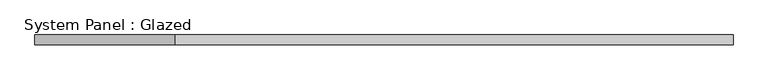
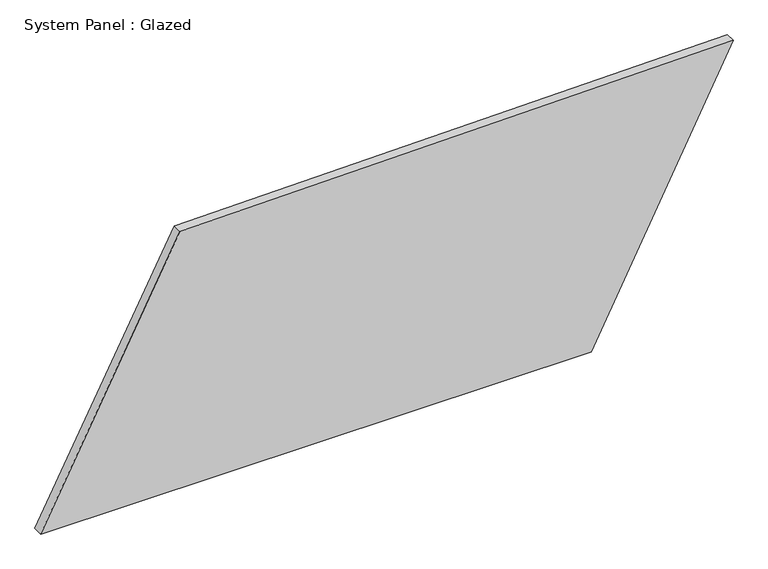
"""IFC4 building model written with IfcOpenShell, lengths in millimetres: plate geometry, System Panel : Glazed."""

from ifc_helpers import new_model, si_unit, frame, origin, place, context, project, spatial, polyline, outline, extrude, source, transform, mapped, element, save


def system_panel_glazed_4f3ac3f7(model_context):
    return source(origin(), model_context, "Body", "SweptSolid", [
        extrude(outline(polyline([(0.0, -891.913017), (0.0, 526.5558965), (720.855039, 891.913017), (699.1216924, -533.349091), (0.0, -891.913017)])), frame((0.0, -49.5, 0.0), z_axis=(0.0, 1.0, 0.0), x_axis=(0.0, 0.0, 1.0)), (0.0, 0.0, 1.0), 25.0),
    ])


if __name__ == "__main__":
    model = new_model("IFC4")
    model_context = context("Model", 3, world=origin())
    ifc_project = project(units=[si_unit("LENGTHUNIT", "METRE", prefix="MILLI")], contexts=[model_context])
    site = spatial("IfcSite", under=ifc_project)
    building = spatial("IfcBuilding", under=site)
    placement = place(None, origin())
    system_panel_glazed_shape = system_panel_glazed_4f3ac3f7(model_context)
    element("IfcPlate", 1, ObjectType="System Panel : Glazed", at=placement, inside=building, context=model_context, shape_type="MappedRepresentation", body=[
        mapped(system_panel_glazed_shape, transform((0.0, 0.0, 0.0), x_axis=(1.0, 0.0, 0.0), y_axis=(0.0, 1.0, 0.0), z_axis=(0.0, 0.0, 1.0))),
    ])
    save(model, "model.ifc")
